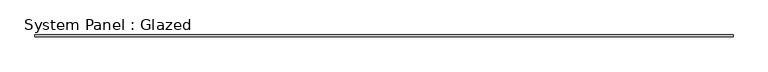
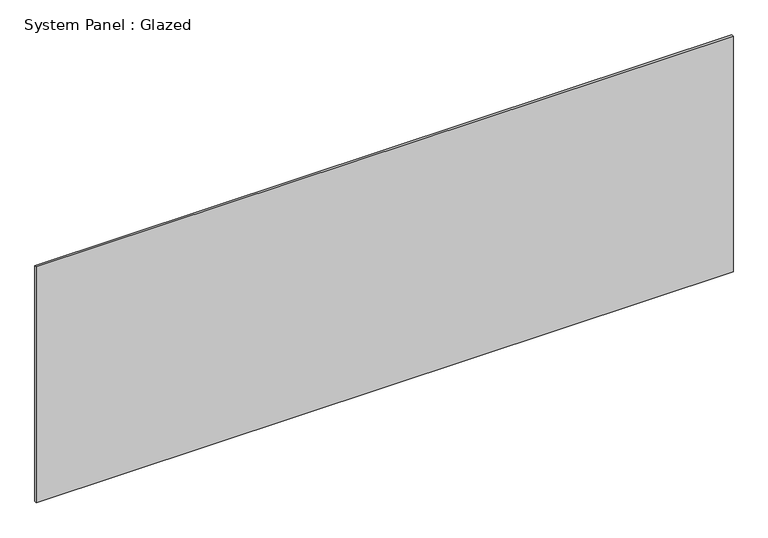
"""IFC4 building model written with IfcOpenShell, lengths in millimetres: plate geometry, System Panel : Glazed."""

import ifcopenshell
import ifcopenshell.guid

model = None  # the IFC model being written
_history = None  # IfcOwnerHistory: only IFC2X3 demands one
_inside = {}  # id of a spatial element -> (the spatial element, [elements in it])
_under = {}  # id of a project, library or spatial element -> (it, [spatial elements below it])
_declared = {}  # id of a project -> (the project, [libraries it declares])
_typed = {}  # id of a type object -> (the type object, [elements of that type])
_made_of = {}  # id of a material, layer set ... -> (it, [elements and type objects made of it])


def new_model(schema):
    """Start an empty IFC model of exactly this schema.

    Asked for "IFC4X3", IfcOpenShell would pick the latest addendum, in which some entities
    have other attributes; the version numbers below select the first issue.
    IFC2X3 requires an IfcOwnerHistory on every rooted entity: one is made here for all.
    """
    global model, _history
    if schema == "IFC4X3":
        model = ifcopenshell.file(schema_version=(4, 3, 0, 0))
    else:
        model = ifcopenshell.file(schema=schema)
    _inside.clear()
    _under.clear()
    _declared.clear()
    _typed.clear()
    _made_of.clear()
    _history = None
    if model.schema == "IFC2X3":
        org = make("IfcOrganization", Name="unknown")
        user = make(
            "IfcPersonAndOrganization",
            ThePerson=make("IfcPerson", FamilyName="unknown"),
            TheOrganization=org,
        )
        app = make(
            "IfcApplication",
            ApplicationDeveloper=org,
            Version="unknown",
            ApplicationFullName="unknown",
            ApplicationIdentifier="unknown",
        )
        _history = make(
            "IfcOwnerHistory",
            OwningUser=user,
            OwningApplication=app,
            ChangeAction="ADDED",
            CreationDate=0,
        )
    return model


def make(cls, **values):
    """One entity of the class cls with the attributes given. An attribute that is None is left unset."""
    return model.create_entity(
        cls, **{name: value for name, value in values.items() if value is not None}
    )


def rooted(cls, **values):
    """An entity with a GlobalId (a new one), such as an element, a storey or a relation."""
    return make(cls, GlobalId=ifcopenshell.guid.new(), OwnerHistory=_history, **values)


def si_unit(unit_type, name, prefix=None):
    """IfcSIUnit, for example si_unit("LENGTHUNIT", "METRE", prefix="MILLI")."""
    return make("IfcSIUnit", UnitType=unit_type, Prefix=prefix, Name=name)


def assignment(units):
    """IfcUnitAssignment: the units of a project."""
    return None if units is None else make("IfcUnitAssignment", Units=units)


def point(xyz):
    """IfcCartesianPoint."""
    return None if xyz is None else make("IfcCartesianPoint", Coordinates=xyz)


def direction(xyz):
    """IfcDirection."""
    return None if xyz is None else make("IfcDirection", DirectionRatios=xyz)


def frame(location, z_axis=None, x_axis=None):
    """IfcAxis2Placement3D, a coordinate frame: its origin and axes. An axis left out is left unset."""
    return make(
        "IfcAxis2Placement3D",
        Location=point(location),
        Axis=direction(z_axis),
        RefDirection=direction(x_axis),
    )


def origin():
    """The frame at (0, 0, 0) with its axes left unset."""
    return frame((0.0, 0.0, 0.0))


def origin_with_axes():
    """The frame at (0, 0, 0) with the z axis (0, 0, 1) and the x axis (1, 0, 0) written out."""
    return frame((0.0, 0.0, 0.0), z_axis=(0.0, 0.0, 1.0), x_axis=(1.0, 0.0, 0.0))


def place(relative_to, where):
    """IfcLocalPlacement: puts the frame where relative to a parent placement (None: the world)."""
    return make(
        "IfcLocalPlacement", PlacementRelTo=relative_to, RelativePlacement=where
    )


def context(
    kind, dimensions, precision=None, world=None, true_north=None, identifier=None
):
    """IfcGeometricRepresentationContext, for example the 3D "Model" context."""
    return make(
        "IfcGeometricRepresentationContext",
        ContextIdentifier=identifier,
        ContextType=kind,
        CoordinateSpaceDimension=dimensions,
        Precision=precision,
        WorldCoordinateSystem=world,
        TrueNorth=true_north,
    )


def project(units=None, contexts=None):
    """IfcProject with its units and contexts."""
    return rooted(
        "IfcProject",
        Name="project",
        RepresentationContexts=contexts,
        UnitsInContext=assignment(units),
    )


def spatial(cls, under=None, at=None, **own):
    """A site, building, storey or space (cls), placed at a placement, below another one or the project."""
    s = rooted(cls, ObjectPlacement=at, **own)
    if under is not None:
        _under.setdefault(under.id(), (under, []))[1].append(s)
    return s


def polyline(points):
    """IfcPolyline through the points."""
    return make("IfcPolyline", Points=[point(p) for p in points])


def outline(outer, holes=None, kind="AREA"):
    """IfcArbitraryClosedProfileDef: a profile drawn as a closed curve; with holes, ...WithVoids."""
    if holes is None:
        return make("IfcArbitraryClosedProfileDef", ProfileType=kind, OuterCurve=outer)
    return make(
        "IfcArbitraryProfileDefWithVoids",
        ProfileType=kind,
        OuterCurve=outer,
        InnerCurves=holes,
    )


def extrude(swept, where, along, depth):
    """IfcExtrudedAreaSolid: the profile swept, set in the frame where, extruded along a direction by depth."""
    return make(
        "IfcExtrudedAreaSolid",
        SweptArea=swept,
        Position=where,
        ExtrudedDirection=direction(along),
        Depth=depth,
    )


def shape(context_of_items, identifier, shape_type, items):
    """IfcShapeRepresentation: the items that make up one representation, for example the "Body"."""
    return make(
        "IfcShapeRepresentation",
        ContextOfItems=context_of_items,
        RepresentationIdentifier=identifier,
        RepresentationType=shape_type,
        Items=items,
    )


def source(mapping_origin, context_of_items, identifier, shape_type, items):
    """IfcRepresentationMap: a shape defined once, which mapped items show again and again."""
    return make(
        "IfcRepresentationMap",
        MappingOrigin=mapping_origin,
        MappedRepresentation=shape(context_of_items, identifier, shape_type, items),
    )


def transform(
    local_origin,
    x_axis=None,
    y_axis=None,
    z_axis=None,
    scale=None,
    scale2=None,
    scale3=None,
    uniform=True,
):
    """IfcCartesianTransformationOperator3D, or its non-uniform kind. x_axis, y_axis, z_axis: its Axis1, 2, 3."""
    if uniform:
        return make(
            "IfcCartesianTransformationOperator3D",
            Axis1=direction(x_axis),
            Axis2=direction(y_axis),
            LocalOrigin=point(local_origin),
            Scale=scale,
            Axis3=direction(z_axis),
        )
    return make(
        "IfcCartesianTransformationOperator3DnonUniform",
        Axis1=direction(x_axis),
        Axis2=direction(y_axis),
        LocalOrigin=point(local_origin),
        Scale=scale,
        Axis3=direction(z_axis),
        Scale2=scale2,
        Scale3=scale3,
    )


def mapped(mapping_source, mapping_target):
    """IfcMappedItem: shows the shape of a source again, moved by a transform."""
    return make(
        "IfcMappedItem", MappingSource=mapping_source, MappingTarget=mapping_target
    )


def made_of(thing, what):
    """Note that an element or type object is made of a material, layer set ...; save() writes the relation."""
    if what is not None:
        _made_of.setdefault(what.id(), (what, []))[1].append(thing)
    return thing


def element(
    cls,
    number,
    at=None,
    inside=None,
    cuts=None,
    type_object=None,
    material=None,
    context=None,
    identifier="Body",
    shape_type=None,
    held_by="IfcProductDefinitionShape",
    body=None,
    shapes=None,
    **own,
):
    """One element of the class cls, such as IfcWall. Its Tag is "e" and its number.

    at: its placement. inside: the storey or other place that contains it. cuts: it is an
    opening in that element (IfcRelVoidsElement). A single representation is given by context,
    identifier, shape_type and body (its items); several are given by shapes. held_by: the class
    of the entity that holds the representations. save() writes the other relations.
    """
    e = rooted(cls, Tag="e%d" % number, ObjectPlacement=at, **own)
    if body is not None:
        shapes = [shape(context, identifier, shape_type, body)]
    if shapes is not None:
        e.Representation = make(held_by, Representations=shapes)
    if inside is not None:
        _inside.setdefault(inside.id(), (inside, []))[1].append(e)
    if cuts is not None:
        rooted(
            "IfcRelVoidsElement", RelatingBuildingElement=cuts, RelatedOpeningElement=e
        )
    if type_object is not None:
        _typed.setdefault(type_object.id(), (type_object, []))[1].append(e)
    return made_of(e, material)


def aggregate(whole, parts):
    """IfcRelAggregates: a whole, such as a stair, and the parts it consists of."""
    return rooted("IfcRelAggregates", RelatingObject=whole, RelatedObjects=parts)


def save(model, path):
    """Write the relations noted so far, then the file.

    IfcRelAggregates (storeys below a building ...), IfcRelContainedInSpatialStructure (elements
    in a storey), IfcRelDefinesByType, IfcRelAssociatesMaterial and IfcRelDeclares: one each for
    every whole, place, type object, material and project.
    """
    for whole, parts in _under.values():
        aggregate(whole, parts)
    for where, things in _inside.values():
        rooted(
            "IfcRelContainedInSpatialStructure",
            RelatedElements=things,
            RelatingStructure=where,
        )
    for kind, things in _typed.values():
        rooted("IfcRelDefinesByType", RelatedObjects=things, RelatingType=kind)
    for what, things in _made_of.values():
        rooted("IfcRelAssociatesMaterial", RelatedObjects=things, RelatingMaterial=what)
    for by, libraries in _declared.values():
        rooted("IfcRelDeclares", RelatingContext=by, RelatedDefinitions=libraries)
    model.write(path)


def system_panel_glazed_e8918869(model_context):
    return source(origin(), model_context, "Body", "SweptSolid", [
        extrude(outline(polyline([(4195.35, 24.5), (-4195.35, 24.5), (-4195.35, 49.5), (4195.35, 49.5), (4195.35, 24.5)])), origin_with_axes(), (0.0, 0.0, 1.0), 3000.0),
    ])


if __name__ == "__main__":
    model = new_model("IFC4")
    model_context = context("Model", 3, world=origin())
    ifc_project = project(units=[si_unit("LENGTHUNIT", "METRE", prefix="MILLI")], contexts=[model_context])
    site = spatial("IfcSite", under=ifc_project)
    building = spatial("IfcBuilding", under=site)
    placement = place(None, origin())
    system_panel_glazed_shape = system_panel_glazed_e8918869(model_context)
    element("IfcPlate", 1, ObjectType="System Panel : Glazed", at=placement, inside=building, context=model_context, shape_type="MappedRepresentation", body=[
        mapped(system_panel_glazed_shape, transform((0.0, 0.0, 0.0), x_axis=(1.0, 0.0, 0.0), y_axis=(0.0, 1.0, 0.0), z_axis=(0.0, 0.0, 1.0))),
    ])
    save(model, "model.ifc")
